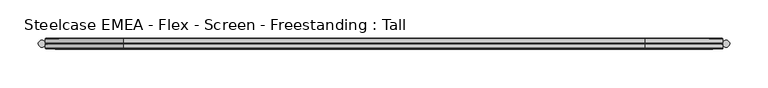
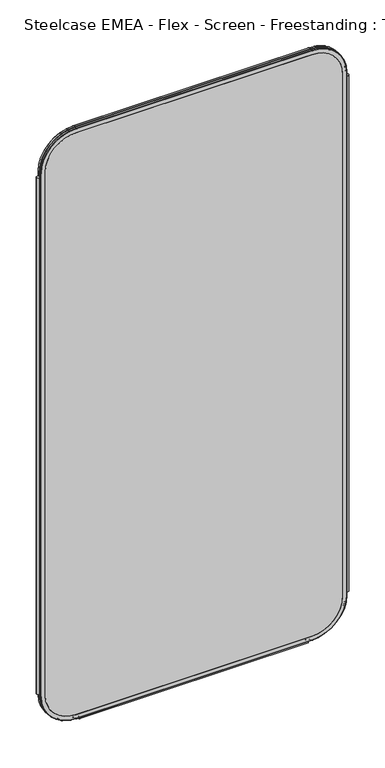
"""IFC4 building model written with IfcOpenShell, lengths in millimetres: furniture geometry, Steelcase EMEA - Flex - Screen - Freestanding : Tall."""

from ifc_helpers import new_model, si_unit, point, frame, frame_2d, origin, place, context, project, spatial, polyline, circle_curve, ellipse_curve, trimmed, segment, composite_curve, outline, extrude, source, transform, mapped, element, save
from ifc_brep_helpers import plane_surface, cylinder_surface, revolved_surface, advanced_brep


def steelcase_emea_flex_screen_freestanding_tall_d976a712(model_context):
    return source(origin(), model_context, "Body", "SolidModel", [
        extrude(outline(composite_curve([segment(trimmed(circle_curve(frame_2d((4.5307839, 0.0)), 4.572), [point((-0.0412161, 0.0))], [point((9.1027839, 0.0))], False, "CARTESIAN"), True, "CONTINUOUS"), segment(trimmed(circle_curve(frame_2d((4.5307839, 0.0)), 4.572), [point((9.1027839, 0.0))], [point((-0.0412161, 0.0))], False, "CARTESIAN"), True, "CONTINUOUS")], self_intersect=False)), frame((0.0, 0.0, 115.57), z_axis=(0.0, 0.0, 1.0), x_axis=(1.0, 0.0, 0.0)), (0.0, 0.0, 1.0), 1568.86),
        extrude(outline(composite_curve([segment(trimmed(circle_curve(frame_2d((895.4692161, 0.0)), 4.572), [point((890.8972161, 0.0))], [point((900.0412161, 0.0))], False, "CARTESIAN"), True, "CONTINUOUS"), segment(trimmed(circle_curve(frame_2d((895.4692161, 0.0)), 4.572), [point((900.0412161, 0.0))], [point((890.8972161, 0.0))], False, "CARTESIAN"), True, "CONTINUOUS")], self_intersect=False)), frame((0.0, 0.0, 115.57), z_axis=(0.0, 0.0, 1.0), x_axis=(1.0, 0.0, 0.0)), (0.0, 0.0, 1.0), 1568.86),
        extrude(outline(composite_curve([segment(trimmed(circle_curve(frame_2d((3.5, 2.4751953)), 2.5), [point((3.5, 4.9751953))], [point((1.4656663, 1.0220998))], False, "CARTESIAN"), True, "CONTINUOUS"), segment(trimmed(circle_curve(frame_2d((0.0, -0.0248047)), 1.8011626), [point((1.4656663, 1.0220998))], [point((-1.4656663, 1.0220998))], True, "CARTESIAN"), True, "CONTINUOUS"), segment(trimmed(circle_curve(frame_2d((-3.5, 2.4751953)), 2.5), [point((-1.4656663, 1.0220998))], [point((-3.5, 4.9751953))], False, "CARTESIAN"), True, "CONTINUOUS"), segment(trimmed(circle_curve(frame_2d((-3.5, 4.4751953)), 0.5), [point((-3.5, 4.9751953))], [point((-3.5, 3.9751953))], False, "CARTESIAN"), True, "CONTINUOUS"), segment(trimmed(circle_curve(frame_2d((-3.5, 2.4751953)), 1.5), [point((-3.5, 3.9751953))], [point((-2.3025096, 1.5718589))], True, "CARTESIAN"), True, "CONTINUOUS"), segment(trimmed(circle_curve(frame_2d((-10.3325937, 7.629417)), 10.0586411), [point((-2.3025096, 1.5718589))], [point((-0.714976, 4.6836248))], True, "CARTESIAN"), True, "CONTINUOUS"), segment(trimmed(circle_curve(frame_2d((0.0, 4.4646339)), 0.7477618), [point((-0.714976, 4.6836248))], [point((0.714976, 4.6836248))], False, "CARTESIAN"), True, "CONTINUOUS"), segment(trimmed(circle_curve(frame_2d((10.3325937, 7.629417)), 10.0586411), [point((0.714976, 4.6836248))], [point((2.3025096, 1.5718589))], True, "CARTESIAN"), True, "CONTINUOUS"), segment(trimmed(circle_curve(frame_2d((3.5, 2.4751953)), 1.5), [point((2.3025096, 1.5718589))], [point((3.5, 3.9751953))], True, "CARTESIAN"), True, "CONTINUOUS"), segment(trimmed(circle_curve(frame_2d((3.5, 4.4751953)), 0.5), [point((3.5, 3.9751953))], [point((3.5, 4.9751953))], False, "CARTESIAN"), True, "CONTINUOUS")], self_intersect=False)), frame((120.0, 0.0, 0.0), z_axis=(1.0, 0.0, 0.0), x_axis=(0.0, 1.0, 0.0)), (0.0, 0.0, 1.0), 660.0),
        advanced_brep(
        [(9.9273521, 0.0, 1698.4), (9.9273521, 0.0, 106.5996464), (110.7653521, 0.0, 5.7616464), (789.2594661, 0.0, 5.7616464), (890.0974661, 0.0, 106.5996464), (890.0974661, 0.0, 1698.4), (789.2594661, 0.0, 1799.238), (110.7653521, 0.0, 1799.238), (789.2594661, 0.0, 17.6996464), (110.7653521, 0.0, 17.6996464), (21.8653521, 0.0, 106.5996464), (21.8653521, 0.0, 1698.4), (110.7653521, 0.0, 1787.3), (789.2594661, 0.0, 1787.3), (878.1594661, 0.0, 1698.4), (878.1594661, 0.0, 106.5996464), (110.7653521, 0.762, 1800.0), (9.1653521, 0.762, 1698.4), (110.7653521, 6.096, 1800.0), (9.1653521, 6.096, 1698.4), (110.7653521, 6.858, 1799.238), (9.9273521, 6.858, 1698.4), (21.8653521, 6.858, 1698.4), (110.7653521, 6.858, 1787.3), (789.2594661, 0.762, 1800.0), (789.2594661, 6.096, 1800.0), (789.2594661, 6.858, 1799.238), (789.2594661, 6.858, 1787.3), (890.8594661, 0.762, 1698.4), (890.8594661, 6.096, 1698.4), (890.0974661, 6.858, 1698.4), (878.1594661, 6.858, 1698.4), (890.8594661, 0.762, 106.5996464), (890.8594661, 6.096, 106.5996464), (890.0974661, 6.858, 106.5996464), (878.1594661, 6.858, 106.5996464), (789.2594661, 0.762, 4.9996464), (789.2594661, 6.096, 4.9996464), (789.2594661, 6.858, 5.7616464), (789.2594661, 6.858, 17.6996464), (110.7653521, 0.762, 4.9996464), (110.7653521, 6.096, 4.9996464), (110.7653521, 6.858, 5.7616464), (110.7653521, 6.858, 17.6996464), (9.1653521, 0.762, 106.5996464), (9.1653521, 6.096, 106.5996464), (9.9273521, 6.858, 106.5996464), (21.8653521, 6.858, 106.5996464)],
        [
            (0, 1),
            (1, 2, circle_curve(frame((110.7653521, 0.0, 106.5996464), z_axis=(0.0, -1.0, 0.0), x_axis=(0.0, 0.0, -1.0)), 100.838)),
            (2, 3),
            (3, 4, circle_curve(frame((789.2594661, 0.0, 106.5996464), z_axis=(0.0, -1.0, 0.0), x_axis=(1.0, 0.0, 0.0)), 100.838)),
            (4, 5),
            (5, 6, circle_curve(frame((789.2594661, 0.0, 1698.4), z_axis=(0.0, -1.0, 0.0), x_axis=(0.0, 0.0, 1.0)), 100.838)),
            (6, 7),
            (7, 0, circle_curve(frame((110.7653521, 0.0, 1698.4), z_axis=(0.0, -1.0, 0.0), x_axis=(-1.0, 0.0, 0.0)), 100.838)),
            (8, 9),
            (9, 10, circle_curve(frame((110.7653521, 0.0, 106.5996464), z_axis=(0.0, 1.0, 0.0), x_axis=(0.0, 0.0, -1.0)), 88.9)),
            (10, 11),
            (11, 12, circle_curve(frame((110.7653521, 0.0, 1698.4), z_axis=(0.0, 1.0, 0.0), x_axis=(-1.0, 0.0, 0.0)), 88.9)),
            (12, 13),
            (13, 14, circle_curve(frame((789.2594661, 0.0, 1698.4), z_axis=(0.0, 1.0, 0.0), x_axis=(0.0, 0.0, 1.0)), 88.9)),
            (14, 15),
            (15, 8, circle_curve(frame((789.2594661, 0.0, 106.5996464), z_axis=(0.0, 1.0, 0.0), x_axis=(1.0, 0.0, 0.0)), 88.9)),
            (16, 17, circle_curve(frame((110.7653521, 0.762, 1698.4), z_axis=(0.0, -1.0, 0.0), x_axis=(-1.0, 0.0, 0.0)), 101.6)),
            (17, 0, circle_curve(frame((9.9273521, 0.762, 1698.4), z_axis=(0.0, 0.0, 1.0), x_axis=(-1.0, 0.0, 0.0)), 0.762)),
            (7, 16, circle_curve(frame((110.7653521, 0.762, 1799.238), z_axis=(-1.0, 0.0, 0.0), x_axis=(0.0, 0.0, 1.0)), 0.762)),
            (18, 19, circle_curve(frame((110.7653521, 6.096, 1698.4), z_axis=(0.0, -1.0, 0.0), x_axis=(-1.0, 0.0, 0.0)), 101.6)),
            (19, 17),
            (16, 18),
            (20, 21, circle_curve(frame((110.7653521, 6.858, 1698.4), z_axis=(0.0, -1.0, 0.0), x_axis=(-1.0, 0.0, 0.0)), 100.838)),
            (21, 19, circle_curve(frame((9.9273521, 6.096, 1698.4), z_axis=(0.0, 0.0, 1.0), x_axis=(-1.0, 0.0, 0.0)), 0.762)),
            (18, 20, circle_curve(frame((110.7653521, 6.096, 1799.238), z_axis=(-1.0, 0.0, 0.0), x_axis=(0.0, 0.0, 1.0)), 0.762)),
            (11, 22),
            (22, 23, circle_curve(frame((110.7653521, 6.858, 1698.4), z_axis=(0.0, 1.0, 0.0), x_axis=(-1.0, 0.0, 0.0)), 88.9)),
            (23, 12),
            (6, 24, circle_curve(frame((789.2594661, 0.762, 1799.238), z_axis=(-1.0, 0.0, 0.0), x_axis=(0.0, 0.0, 1.0)), 0.762)),
            (24, 16),
            (24, 25),
            (25, 18),
            (25, 26, circle_curve(frame((789.2594661, 6.096, 1799.238), z_axis=(-1.0, 0.0, 0.0), x_axis=(0.0, 0.0, 1.0)), 0.762)),
            (26, 20),
            (23, 27),
            (27, 13),
            (28, 24, circle_curve(frame((789.2594661, 0.762, 1698.4), z_axis=(0.0, -1.0, 0.0), x_axis=(0.0, 0.0, 1.0)), 101.6)),
            (5, 28, circle_curve(frame((890.0974661, 0.762, 1698.4), z_axis=(0.0, 0.0, 1.0), x_axis=(1.0, 0.0, 0.0)), 0.762)),
            (29, 25, circle_curve(frame((789.2594661, 6.096, 1698.4), z_axis=(0.0, -1.0, 0.0), x_axis=(0.0, 0.0, 1.0)), 101.6)),
            (28, 29),
            (30, 26, circle_curve(frame((789.2594661, 6.858, 1698.4), z_axis=(0.0, -1.0, 0.0), x_axis=(0.0, 0.0, 1.0)), 100.838)),
            (29, 30, circle_curve(frame((890.0974661, 6.096, 1698.4), z_axis=(0.0, 0.0, 1.0), x_axis=(1.0, 0.0, 0.0)), 0.762)),
            (27, 31, circle_curve(frame((789.2594661, 6.858, 1698.4), z_axis=(0.0, 1.0, 0.0), x_axis=(0.0, 0.0, 1.0)), 88.9)),
            (31, 14),
            (4, 32, circle_curve(frame((890.0974661, 0.762, 106.5996464), z_axis=(0.0, 0.0, 1.0), x_axis=(1.0, 0.0, 0.0)), 0.762)),
            (32, 28),
            (32, 33),
            (33, 29),
            (33, 34, circle_curve(frame((890.0974661, 6.096, 106.5996464), z_axis=(0.0, 0.0, 1.0), x_axis=(1.0, 0.0, 0.0)), 0.762)),
            (34, 30),
            (31, 35),
            (35, 15),
            (36, 32, circle_curve(frame((789.2594661, 0.762, 106.5996464), z_axis=(0.0, -1.0, 0.0), x_axis=(1.0, 0.0, 0.0)), 101.6)),
            (3, 36, circle_curve(frame((789.2594661, 0.762, 5.7616464), z_axis=(1.0, 0.0, 0.0), x_axis=(0.0, 0.0, -1.0)), 0.762)),
            (37, 33, circle_curve(frame((789.2594661, 6.096, 106.5996464), z_axis=(0.0, -1.0, 0.0), x_axis=(1.0, 0.0, 0.0)), 101.6)),
            (36, 37),
            (38, 34, circle_curve(frame((789.2594661, 6.858, 106.5996464), z_axis=(0.0, -1.0, 0.0), x_axis=(1.0, 0.0, 0.0)), 100.838)),
            (37, 38, circle_curve(frame((789.2594661, 6.096, 5.7616464), z_axis=(1.0, 0.0, 0.0), x_axis=(0.0, 0.0, -1.0)), 0.762)),
            (35, 39, circle_curve(frame((789.2594661, 6.858, 106.5996464), z_axis=(0.0, 1.0, 0.0), x_axis=(1.0, 0.0, 0.0)), 88.9)),
            (39, 8),
            (2, 40, circle_curve(frame((110.7653521, 0.762, 5.7616464), z_axis=(1.0, 0.0, 0.0), x_axis=(0.0, 0.0, -1.0)), 0.762)),
            (40, 36),
            (40, 41),
            (41, 37),
            (41, 42, circle_curve(frame((110.7653521, 6.096, 5.7616464), z_axis=(1.0, 0.0, 0.0), x_axis=(0.0, 0.0, -1.0)), 0.762)),
            (42, 38),
            (39, 43),
            (43, 9),
            (44, 40, circle_curve(frame((110.7653521, 0.762, 106.5996464), z_axis=(0.0, -1.0, 0.0), x_axis=(0.0, 0.0, -1.0)), 101.6)),
            (1, 44, circle_curve(frame((9.9273521, 0.762, 106.5996464), z_axis=(0.0, 0.0, -1.0), x_axis=(-1.0, 0.0, 0.0)), 0.762)),
            (45, 41, circle_curve(frame((110.7653521, 6.096, 106.5996464), z_axis=(0.0, -1.0, 0.0), x_axis=(0.0, 0.0, -1.0)), 101.6)),
            (44, 45),
            (46, 42, circle_curve(frame((110.7653521, 6.858, 106.5996464), z_axis=(0.0, -1.0, 0.0), x_axis=(0.0, 0.0, -1.0)), 100.838)),
            (45, 46, circle_curve(frame((9.9273521, 6.096, 106.5996464), z_axis=(0.0, 0.0, -1.0), x_axis=(-1.0, 0.0, 0.0)), 0.762)),
            (43, 47, circle_curve(frame((110.7653521, 6.858, 106.5996464), z_axis=(0.0, 1.0, 0.0), x_axis=(0.0, 0.0, -1.0)), 88.9)),
            (47, 10),
            (17, 44),
            (19, 45),
            (21, 46),
            (22, 47),
        ],
        [
            plane_surface(frame((21.8653521, 0.0, 106.5996464), z_axis=(0.0, -1.0, 0.0), x_axis=(0.0, 0.0, 1.0))),
            revolved_surface(trimmed(ellipse_curve(frame((9.9273521, 0.762, 1698.4), z_axis=(0.0, 0.0, -1.0), x_axis=(-1.0, 0.0, 0.0)), 0.762, 0.762), [point((9.9273521, 0.0, 1698.4))], [point((9.1653521, 0.762, 1698.4))], True, "CARTESIAN"), (110.7653521, 0.0, 1698.4), (0.0, 1.0, 0.0)),
            cylinder_surface(frame((110.7653521, 0.0, 1698.4), z_axis=(0.0, 1.0, 0.0), x_axis=(-1.0, 0.0, 0.0)), 101.6),
            revolved_surface(trimmed(ellipse_curve(frame((9.9273521, 6.096, 1698.4), z_axis=(0.0, 0.0, -1.0), x_axis=(-1.0, 0.0, 0.0)), 0.762, 0.762), [point((9.1653521, 6.096, 1698.4))], [point((9.9273521, 6.858, 1698.4))], True, "CARTESIAN"), (110.7653521, 0.0, 1698.4), (0.0, 1.0, 0.0)),
            revolved_surface(polyline([(21.865352099999996, 6.858, 1698.4), (21.865352099999996, 0.0, 1698.4)]), (110.7653521, 0.0, 1698.4), (0.0, 1.0, 0.0)),
            cylinder_surface(frame((110.7653521, 0.762, 1799.238), z_axis=(-1.0, 0.0, 0.0), x_axis=(0.0, 0.0, 1.0)), 0.762),
            plane_surface(frame((110.7653521, 0.762, 1800.0), z_axis=(0.0, 0.0, 1.0), x_axis=(1.0, 0.0, 0.0))),
            cylinder_surface(frame((110.7653521, 6.096, 1799.238), z_axis=(-1.0, 0.0, 0.0), x_axis=(0.0, 0.0, 1.0)), 0.762),
            plane_surface(frame((110.7653521, 6.858, 1787.3), z_axis=(0.0, 0.0, -1.0), x_axis=(1.0, 0.0, 0.0))),
            revolved_surface(trimmed(ellipse_curve(frame((789.2594661, 0.762, 1799.238), z_axis=(-1.0, 0.0, 0.0), x_axis=(0.0, 0.0, 1.0)), 0.762, 0.762), [point((789.2594661, 0.0, 1799.238))], [point((789.2594661, 0.762, 1800.0))], True, "CARTESIAN"), (789.2594661, 0.0, 1698.4), (0.0, 1.0, 0.0)),
            cylinder_surface(frame((789.2594661, 0.0, 1698.4), z_axis=(0.0, 1.0, 0.0), x_axis=(0.0, 0.0, 1.0)), 101.6),
            revolved_surface(trimmed(ellipse_curve(frame((789.2594661, 6.096, 1799.238), z_axis=(-1.0, 0.0, 0.0), x_axis=(0.0, 0.0, 1.0)), 0.762, 0.762), [point((789.2594661, 6.096, 1800.0))], [point((789.2594661, 6.858, 1799.238))], True, "CARTESIAN"), (789.2594661, 0.0, 1698.4), (0.0, 1.0, 0.0)),
            revolved_surface(polyline([(789.2594661, 6.858, 1787.3000000000002), (789.2594661, 0.0, 1787.3000000000002)]), (789.2594661, 0.0, 1698.4), (0.0, 1.0, 0.0)),
            cylinder_surface(frame((890.0974661, 0.762, 1698.4), z_axis=(0.0, 0.0, 1.0), x_axis=(1.0, 0.0, 0.0)), 0.762),
            plane_surface(frame((890.8594661, 0.762, 1698.4), z_axis=(1.0, 0.0, 0.0), x_axis=(0.0, 0.0, -1.0))),
            cylinder_surface(frame((890.0974661, 6.096, 1698.4), z_axis=(0.0, 0.0, 1.0), x_axis=(1.0, 0.0, 0.0)), 0.762),
            plane_surface(frame((878.1594661, 6.858, 1698.4), z_axis=(-1.0, 0.0, 0.0), x_axis=(0.0, 0.0, -1.0))),
            revolved_surface(trimmed(ellipse_curve(frame((890.0974661, 0.762, 106.5996464), z_axis=(0.0, 0.0, 1.0), x_axis=(1.0, 0.0, 0.0)), 0.762, 0.762), [point((890.0974661, 0.0, 106.5996464))], [point((890.8594661, 0.762, 106.5996464))], True, "CARTESIAN"), (789.2594661, 0.0, 106.5996464), (0.0, 1.0, 0.0)),
            cylinder_surface(frame((789.2594661, 0.0, 106.5996464), z_axis=(0.0, 1.0, 0.0), x_axis=(1.0, 0.0, 0.0)), 101.6),
            revolved_surface(trimmed(ellipse_curve(frame((890.0974661, 6.096, 106.5996464), z_axis=(0.0, 0.0, 1.0), x_axis=(1.0, 0.0, 0.0)), 0.762, 0.762), [point((890.8594661, 6.096, 106.5996464))], [point((890.0974661, 6.858, 106.5996464))], True, "CARTESIAN"), (789.2594661, 0.0, 106.5996464), (0.0, 1.0, 0.0)),
            revolved_surface(polyline([(878.1594661, 6.858, 106.5996464), (878.1594661, 0.0, 106.5996464)]), (789.2594661, 0.0, 106.5996464), (0.0, 1.0, 0.0)),
            cylinder_surface(frame((789.2594661, 0.762, 5.7616464), z_axis=(1.0, 0.0, 0.0), x_axis=(0.0, 0.0, -1.0)), 0.762),
            plane_surface(frame((789.2594661, 0.762, 4.9996464), z_axis=(0.0, 0.0, -1.0), x_axis=(-1.0, 0.0, 0.0))),
            cylinder_surface(frame((789.2594661, 6.096, 5.7616464), z_axis=(1.0, 0.0, 0.0), x_axis=(0.0, 0.0, -1.0)), 0.762),
            plane_surface(frame((789.2594661, 6.858, 17.6996464), z_axis=(0.0, 0.0, 1.0), x_axis=(-1.0, 0.0, 0.0))),
            revolved_surface(trimmed(ellipse_curve(frame((110.7653521, 0.762, 5.7616464), z_axis=(1.0, 0.0, 0.0), x_axis=(0.0, 0.0, -1.0)), 0.762, 0.762), [point((110.7653521, 0.0, 5.7616464))], [point((110.7653521, 0.762, 4.9996464))], True, "CARTESIAN"), (110.7653521, 0.0, 106.5996464), (0.0, 1.0, 0.0)),
            cylinder_surface(frame((110.7653521, 0.0, 106.5996464), z_axis=(0.0, 1.0, 0.0), x_axis=(0.0, 0.0, -1.0)), 101.6),
            revolved_surface(trimmed(ellipse_curve(frame((110.7653521, 6.096, 5.7616464), z_axis=(1.0, 0.0, 0.0), x_axis=(0.0, 0.0, -1.0)), 0.762, 0.762), [point((110.7653521, 6.096, 4.9996464))], [point((110.7653521, 6.858, 5.7616464))], True, "CARTESIAN"), (110.7653521, 0.0, 106.5996464), (0.0, 1.0, 0.0)),
            revolved_surface(polyline([(110.7653521, 6.858, 17.699646399999992), (110.7653521, 0.0, 17.699646399999992)]), (110.7653521, 0.0, 106.5996464), (0.0, 1.0, 0.0)),
            cylinder_surface(frame((9.9273521, 0.762, 106.5996464), z_axis=(0.0, 0.0, -1.0), x_axis=(-1.0, 0.0, 0.0)), 0.762),
            plane_surface(frame((9.1653521, 0.762, 106.5996464), z_axis=(-1.0, 0.0, 0.0), x_axis=(0.0, 0.0, 1.0))),
            cylinder_surface(frame((9.9273521, 6.096, 106.5996464), z_axis=(0.0, 0.0, -1.0), x_axis=(-1.0, 0.0, 0.0)), 0.762),
            plane_surface(frame((9.9273521, 6.858, 106.5996464), z_axis=(0.0, 1.0, 0.0), x_axis=(0.0, 0.0, 1.0))),
            plane_surface(frame((21.8653521, 6.858, 106.5996464), z_axis=(1.0, 0.0, 0.0), x_axis=(0.0, 0.0, 1.0))),
        ],
        [
            (0, [[1, 2, 3, 4, 5, 6, 7, 8], [9, 10, 11, 12, 13, 14, 15, 16]]),
            (1, [[17, 18, -8, 19]]),
            (2, [[20, 21, -17, 22]]),
            (3, [[23, 24, -20, 25]]),
            (4, [[-12, 26, 27, 28]]),
            (5, [[-19, -7, 29, 30]]),
            (6, [[-22, -30, 31, 32]]),
            (7, [[-25, -32, 33, 34]]),
            (8, [[-28, 35, 36, -13]]),
            (9, [[37, -29, -6, 38]]),
            (10, [[39, -31, -37, 40]]),
            (11, [[41, -33, -39, 42]]),
            (12, [[-14, -36, 43, 44]]),
            (13, [[-38, -5, 45, 46]]),
            (14, [[-40, -46, 47, 48]]),
            (15, [[-42, -48, 49, 50]]),
            (16, [[-44, 51, 52, -15]]),
            (17, [[53, -45, -4, 54]]),
            (18, [[55, -47, -53, 56]]),
            (19, [[57, -49, -55, 58]]),
            (20, [[-16, -52, 59, 60]]),
            (21, [[-54, -3, 61, 62]]),
            (22, [[-56, -62, 63, 64]]),
            (23, [[-58, -64, 65, 66]]),
            (24, [[-60, 67, 68, -9]]),
            (25, [[69, -61, -2, 70]]),
            (26, [[71, -63, -69, 72]]),
            (27, [[73, -65, -71, 74]]),
            (28, [[-10, -68, 75, 76]]),
            (29, [[-70, -1, -18, 77]]),
            (30, [[-72, -77, -21, 78]]),
            (31, [[-74, -78, -24, 79]]),
            (32, [[-66, -73, -79, -23, -34, -41, -50, -57], [80, -75, -67, -59, -51, -43, -35, -27]]),
            (33, [[-76, -80, -26, -11]]),
        ],
    ),
        extrude(outline(composite_curve([segment(polyline([(1787.3, 789.2594661), (1787.3, 110.7653521)]), True, "CONTINUOUS"), segment(trimmed(circle_curve(frame_2d((1698.4, 110.7653521)), 88.9), [point((1787.3, 110.7653521))], [point((1698.4, 21.8653521))], False, "CARTESIAN"), True, "CONTINUOUS"), segment(polyline([(1698.4, 21.8653521), (106.5996464, 21.8653521)]), True, "CONTINUOUS"), segment(trimmed(circle_curve(frame_2d((106.5996464, 110.7653521)), 88.9), [point((106.5996464, 21.8653521))], [point((17.6996464, 110.7653521))], False, "CARTESIAN"), True, "CONTINUOUS"), segment(polyline([(17.6996464, 110.7653521), (17.6996464, 789.2594661)]), True, "CONTINUOUS"), segment(trimmed(circle_curve(frame_2d((106.5996464, 789.2594661)), 88.9), [point((17.6996464, 789.2594661))], [point((106.5996464, 878.1594661))], False, "CARTESIAN"), True, "CONTINUOUS"), segment(polyline([(106.5996464, 878.1594661), (1698.4, 878.1594661)]), True, "CONTINUOUS"), segment(trimmed(circle_curve(frame_2d((1698.4, 789.2594661)), 88.9), [point((1698.4, 878.1594661))], [point((1787.3, 789.2594661))], False, "CARTESIAN"), True, "CONTINUOUS")], self_intersect=False)), frame((0.0, 0.0, 0.0), z_axis=(0.0, 1.0, 0.0), x_axis=(0.0, 0.0, 1.0)), (0.0, 0.0, 1.0), 6.858),
        advanced_brep(
        [(110.7653521, -6.858, 1787.3), (21.8653521, -6.858, 1698.4), (21.8653521, 0.0, 1698.4), (110.7653521, 0.0, 1787.3), (110.7653521, -6.096, 1800.0), (9.1653521, -6.096, 1698.4), (9.9273521, -6.858, 1698.4), (110.7653521, -6.858, 1799.238), (110.7653521, -0.762, 1800.0), (9.1653521, -0.762, 1698.4), (110.7653521, 0.0, 1799.238), (9.9273521, 0.0, 1698.4), (789.2594661, 0.0, 1787.3), (789.2594661, -6.858, 1787.3), (789.2594661, -6.858, 1799.238), (789.2594661, -6.096, 1800.0), (789.2594661, -0.762, 1800.0), (789.2594661, 0.0, 1799.238), (878.1594661, -6.858, 1698.4), (878.1594661, 0.0, 1698.4), (890.8594661, -6.096, 1698.4), (890.0974661, -6.858, 1698.4), (890.8594661, -0.762, 1698.4), (890.0974661, 0.0, 1698.4), (878.1594661, 0.0, 106.5996464), (878.1594661, -6.858, 106.5996464), (890.0974661, -6.858, 106.5996464), (890.8594661, -6.096, 106.5996464), (890.8594661, -0.762, 106.5996464), (890.0974661, 0.0, 106.5996464), (789.2594661, -6.858, 17.6996464), (789.2594661, 0.0, 17.6996464), (789.2594661, -6.096, 4.9996464), (789.2594661, -6.858, 5.7616464), (789.2594661, -0.762, 4.9996464), (789.2594661, 0.0, 5.7616464), (110.7653521, 0.0, 17.6996464), (110.7653521, -6.858, 17.6996464), (110.7653521, -6.858, 5.7616464), (110.7653521, -6.096, 4.9996464), (110.7653521, -0.762, 4.9996464), (110.7653521, 0.0, 5.7616464), (21.8653521, -6.858, 106.5996464), (21.8653521, 0.0, 106.5996464), (9.1653521, -6.096, 106.5996464), (9.9273521, -6.858, 106.5996464), (9.1653521, -0.762, 106.5996464), (9.9273521, 0.0, 106.5996464)],
        [
            (0, 1, circle_curve(frame((110.7653521, -6.858, 1698.4), z_axis=(0.0, -1.0, 0.0), x_axis=(-1.0, 0.0, 0.0)), 88.9)),
            (1, 2),
            (2, 3, circle_curve(frame((110.7653521, 0.0, 1698.4), z_axis=(0.0, 1.0, 0.0), x_axis=(-1.0, 0.0, 0.0)), 88.9)),
            (3, 0),
            (4, 5, circle_curve(frame((110.7653521, -6.096, 1698.4), z_axis=(0.0, -1.0, 0.0), x_axis=(-1.0, 0.0, 0.0)), 101.6)),
            (5, 6, circle_curve(frame((9.9273521, -6.096, 1698.4), z_axis=(0.0, 0.0, 1.0), x_axis=(-1.0, 0.0, 0.0)), 0.762)),
            (6, 7, circle_curve(frame((110.7653521, -6.858, 1698.4), z_axis=(0.0, 1.0, 0.0), x_axis=(-1.0, 0.0, 0.0)), 100.838)),
            (7, 4, circle_curve(frame((110.7653521, -6.096, 1799.238), z_axis=(-1.0, 0.0, 0.0), x_axis=(0.0, 0.0, 1.0)), 0.762)),
            (8, 9, circle_curve(frame((110.7653521, -0.762, 1698.4), z_axis=(0.0, -1.0, 0.0), x_axis=(-1.0, 0.0, 0.0)), 101.6)),
            (9, 5),
            (4, 8),
            (10, 11, circle_curve(frame((110.7653521, 0.0, 1698.4), z_axis=(0.0, -1.0, 0.0), x_axis=(-1.0, 0.0, 0.0)), 100.838)),
            (11, 9, circle_curve(frame((9.9273521, -0.762, 1698.4), z_axis=(0.0, 0.0, 1.0), x_axis=(-1.0, 0.0, 0.0)), 0.762)),
            (8, 10, circle_curve(frame((110.7653521, -0.762, 1799.238), z_axis=(-1.0, 0.0, 0.0), x_axis=(0.0, 0.0, 1.0)), 0.762)),
            (3, 12),
            (12, 13),
            (13, 0),
            (7, 14),
            (14, 15, circle_curve(frame((789.2594661, -6.096, 1799.238), z_axis=(-1.0, 0.0, 0.0), x_axis=(0.0, 0.0, 1.0)), 0.762)),
            (15, 4),
            (15, 16),
            (16, 8),
            (16, 17, circle_curve(frame((789.2594661, -0.762, 1799.238), z_axis=(-1.0, 0.0, 0.0), x_axis=(0.0, 0.0, 1.0)), 0.762)),
            (17, 10),
            (18, 13, circle_curve(frame((789.2594661, -6.858, 1698.4), z_axis=(0.0, -1.0, 0.0), x_axis=(0.0, 0.0, 1.0)), 88.9)),
            (12, 19, circle_curve(frame((789.2594661, 0.0, 1698.4), z_axis=(0.0, 1.0, 0.0), x_axis=(0.0, 0.0, 1.0)), 88.9)),
            (19, 18),
            (20, 15, circle_curve(frame((789.2594661, -6.096, 1698.4), z_axis=(0.0, -1.0, 0.0), x_axis=(0.0, 0.0, 1.0)), 101.6)),
            (14, 21, circle_curve(frame((789.2594661, -6.858, 1698.4), z_axis=(0.0, 1.0, 0.0), x_axis=(0.0, 0.0, 1.0)), 100.838)),
            (21, 20, circle_curve(frame((890.0974661, -6.096, 1698.4), z_axis=(0.0, 0.0, 1.0), x_axis=(1.0, 0.0, 0.0)), 0.762)),
            (22, 16, circle_curve(frame((789.2594661, -0.762, 1698.4), z_axis=(0.0, -1.0, 0.0), x_axis=(0.0, 0.0, 1.0)), 101.6)),
            (20, 22),
            (23, 17, circle_curve(frame((789.2594661, 0.0, 1698.4), z_axis=(0.0, -1.0, 0.0), x_axis=(0.0, 0.0, 1.0)), 100.838)),
            (22, 23, circle_curve(frame((890.0974661, -0.762, 1698.4), z_axis=(0.0, 0.0, 1.0), x_axis=(1.0, 0.0, 0.0)), 0.762)),
            (19, 24),
            (24, 25),
            (25, 18),
            (21, 26),
            (26, 27, circle_curve(frame((890.0974661, -6.096, 106.5996464), z_axis=(0.0, 0.0, 1.0), x_axis=(1.0, 0.0, 0.0)), 0.762)),
            (27, 20),
            (27, 28),
            (28, 22),
            (28, 29, circle_curve(frame((890.0974661, -0.762, 106.5996464), z_axis=(0.0, 0.0, 1.0), x_axis=(1.0, 0.0, 0.0)), 0.762)),
            (29, 23),
            (30, 25, circle_curve(frame((789.2594661, -6.858, 106.5996464), z_axis=(0.0, -1.0, 0.0), x_axis=(1.0, 0.0, 0.0)), 88.9)),
            (24, 31, circle_curve(frame((789.2594661, 0.0, 106.5996464), z_axis=(0.0, 1.0, 0.0), x_axis=(1.0, 0.0, 0.0)), 88.9)),
            (31, 30),
            (32, 27, circle_curve(frame((789.2594661, -6.096, 106.5996464), z_axis=(0.0, -1.0, 0.0), x_axis=(1.0, 0.0, 0.0)), 101.6)),
            (26, 33, circle_curve(frame((789.2594661, -6.858, 106.5996464), z_axis=(0.0, 1.0, 0.0), x_axis=(1.0, 0.0, 0.0)), 100.838)),
            (33, 32, circle_curve(frame((789.2594661, -6.096, 5.7616464), z_axis=(1.0, 0.0, 0.0), x_axis=(0.0, 0.0, -1.0)), 0.762)),
            (34, 28, circle_curve(frame((789.2594661, -0.762, 106.5996464), z_axis=(0.0, -1.0, 0.0), x_axis=(1.0, 0.0, 0.0)), 101.6)),
            (32, 34),
            (35, 29, circle_curve(frame((789.2594661, 0.0, 106.5996464), z_axis=(0.0, -1.0, 0.0), x_axis=(1.0, 0.0, 0.0)), 100.838)),
            (34, 35, circle_curve(frame((789.2594661, -0.762, 5.7616464), z_axis=(1.0, 0.0, 0.0), x_axis=(0.0, 0.0, -1.0)), 0.762)),
            (31, 36),
            (36, 37),
            (37, 30),
            (33, 38),
            (38, 39, circle_curve(frame((110.7653521, -6.096, 5.7616464), z_axis=(1.0, 0.0, 0.0), x_axis=(0.0, 0.0, -1.0)), 0.762)),
            (39, 32),
            (39, 40),
            (40, 34),
            (40, 41, circle_curve(frame((110.7653521, -0.762, 5.7616464), z_axis=(1.0, 0.0, 0.0), x_axis=(0.0, 0.0, -1.0)), 0.762)),
            (41, 35),
            (42, 37, circle_curve(frame((110.7653521, -6.858, 106.5996464), z_axis=(0.0, -1.0, 0.0), x_axis=(0.0, 0.0, -1.0)), 88.9)),
            (36, 43, circle_curve(frame((110.7653521, 0.0, 106.5996464), z_axis=(0.0, 1.0, 0.0), x_axis=(0.0, 0.0, -1.0)), 88.9)),
            (43, 42),
            (44, 39, circle_curve(frame((110.7653521, -6.096, 106.5996464), z_axis=(0.0, -1.0, 0.0), x_axis=(0.0, 0.0, -1.0)), 101.6)),
            (38, 45, circle_curve(frame((110.7653521, -6.858, 106.5996464), z_axis=(0.0, 1.0, 0.0), x_axis=(0.0, 0.0, -1.0)), 100.838)),
            (45, 44, circle_curve(frame((9.9273521, -6.096, 106.5996464), z_axis=(0.0, 0.0, -1.0), x_axis=(-1.0, 0.0, 0.0)), 0.762)),
            (46, 40, circle_curve(frame((110.7653521, -0.762, 106.5996464), z_axis=(0.0, -1.0, 0.0), x_axis=(0.0, 0.0, -1.0)), 101.6)),
            (44, 46),
            (47, 41, circle_curve(frame((110.7653521, 0.0, 106.5996464), z_axis=(0.0, -1.0, 0.0), x_axis=(0.0, 0.0, -1.0)), 100.838)),
            (46, 47, circle_curve(frame((9.9273521, -0.762, 106.5996464), z_axis=(0.0, 0.0, -1.0), x_axis=(-1.0, 0.0, 0.0)), 0.762)),
            (43, 2),
            (1, 42),
            (6, 45),
            (5, 44),
            (9, 46),
            (11, 47),
        ],
        [
            revolved_surface(polyline([(21.865352099999996, 0.0, 1698.4), (21.865352099999996, -6.858, 1698.4)]), (110.7653521, 0.0, 1698.4), (0.0, 1.0, 0.0)),
            revolved_surface(trimmed(ellipse_curve(frame((9.9273521, -6.096, 1698.4), z_axis=(0.0, 0.0, -1.0), x_axis=(-1.0, 0.0, 0.0)), 0.762, 0.762), [point((9.9273521, -6.858, 1698.4))], [point((9.1653521, -6.096, 1698.4))], True, "CARTESIAN"), (110.7653521, 0.0, 1698.4), (0.0, 1.0, 0.0)),
            cylinder_surface(frame((110.7653521, 0.0, 1698.4), z_axis=(0.0, 1.0, 0.0), x_axis=(-1.0, 0.0, 0.0)), 101.6),
            revolved_surface(trimmed(ellipse_curve(frame((9.9273521, -0.762, 1698.4), z_axis=(0.0, 0.0, -1.0), x_axis=(-1.0, 0.0, 0.0)), 0.762, 0.762), [point((9.1653521, -0.762, 1698.4))], [point((9.9273521, 0.0, 1698.4))], True, "CARTESIAN"), (110.7653521, 0.0, 1698.4), (0.0, 1.0, 0.0)),
            plane_surface(frame((110.7653521, 0.0, 1787.3), z_axis=(0.0, 0.0, -1.0), x_axis=(1.0, 0.0, 0.0))),
            cylinder_surface(frame((110.7653521, -6.096, 1799.238), z_axis=(-1.0, 0.0, 0.0), x_axis=(0.0, 0.0, 1.0)), 0.762),
            plane_surface(frame((110.7653521, -6.096, 1800.0), z_axis=(0.0, 0.0, 1.0), x_axis=(1.0, 0.0, 0.0))),
            cylinder_surface(frame((110.7653521, -0.762, 1799.238), z_axis=(-1.0, 0.0, 0.0), x_axis=(0.0, 0.0, 1.0)), 0.762),
            revolved_surface(polyline([(789.2594661, 0.0, 1787.3000000000002), (789.2594661, -6.858, 1787.3000000000002)]), (789.2594661, 0.0, 1698.4), (0.0, 1.0, 0.0)),
            revolved_surface(trimmed(ellipse_curve(frame((789.2594661, -6.096, 1799.238), z_axis=(-1.0, 0.0, 0.0), x_axis=(0.0, 0.0, 1.0)), 0.762, 0.762), [point((789.2594661, -6.858, 1799.238))], [point((789.2594661, -6.096, 1800.0))], True, "CARTESIAN"), (789.2594661, 0.0, 1698.4), (0.0, 1.0, 0.0)),
            cylinder_surface(frame((789.2594661, 0.0, 1698.4), z_axis=(0.0, 1.0, 0.0), x_axis=(0.0, 0.0, 1.0)), 101.6),
            revolved_surface(trimmed(ellipse_curve(frame((789.2594661, -0.762, 1799.238), z_axis=(-1.0, 0.0, 0.0), x_axis=(0.0, 0.0, 1.0)), 0.762, 0.762), [point((789.2594661, -0.762, 1800.0))], [point((789.2594661, 0.0, 1799.238))], True, "CARTESIAN"), (789.2594661, 0.0, 1698.4), (0.0, 1.0, 0.0)),
            plane_surface(frame((878.1594661, 0.0, 1698.4), z_axis=(-1.0, 0.0, 0.0), x_axis=(0.0, 0.0, -1.0))),
            cylinder_surface(frame((890.0974661, -6.096, 1698.4), z_axis=(0.0, 0.0, 1.0), x_axis=(1.0, 0.0, 0.0)), 0.762),
            plane_surface(frame((890.8594661, -6.096, 1698.4), z_axis=(1.0, 0.0, 0.0), x_axis=(0.0, 0.0, -1.0))),
            cylinder_surface(frame((890.0974661, -0.762, 1698.4), z_axis=(0.0, 0.0, 1.0), x_axis=(1.0, 0.0, 0.0)), 0.762),
            revolved_surface(polyline([(878.1594661, 0.0, 106.5996464), (878.1594661, -6.858, 106.5996464)]), (789.2594661, 0.0, 106.5996464), (0.0, 1.0, 0.0)),
            revolved_surface(trimmed(ellipse_curve(frame((890.0974661, -6.096, 106.5996464), z_axis=(0.0, 0.0, 1.0), x_axis=(1.0, 0.0, 0.0)), 0.762, 0.762), [point((890.0974661, -6.858, 106.5996464))], [point((890.8594661, -6.096, 106.5996464))], True, "CARTESIAN"), (789.2594661, 0.0, 106.5996464), (0.0, 1.0, 0.0)),
            cylinder_surface(frame((789.2594661, 0.0, 106.5996464), z_axis=(0.0, 1.0, 0.0), x_axis=(1.0, 0.0, 0.0)), 101.6),
            revolved_surface(trimmed(ellipse_curve(frame((890.0974661, -0.762, 106.5996464), z_axis=(0.0, 0.0, 1.0), x_axis=(1.0, 0.0, 0.0)), 0.762, 0.762), [point((890.8594661, -0.762, 106.5996464))], [point((890.0974661, 0.0, 106.5996464))], True, "CARTESIAN"), (789.2594661, 0.0, 106.5996464), (0.0, 1.0, 0.0)),
            plane_surface(frame((789.2594661, 0.0, 17.6996464), z_axis=(0.0, 0.0, 1.0), x_axis=(-1.0, 0.0, 0.0))),
            cylinder_surface(frame((789.2594661, -6.096, 5.7616464), z_axis=(1.0, 0.0, 0.0), x_axis=(0.0, 0.0, -1.0)), 0.762),
            plane_surface(frame((789.2594661, -6.096, 4.9996464), z_axis=(0.0, 0.0, -1.0), x_axis=(-1.0, 0.0, 0.0))),
            cylinder_surface(frame((789.2594661, -0.762, 5.7616464), z_axis=(1.0, 0.0, 0.0), x_axis=(0.0, 0.0, -1.0)), 0.762),
            revolved_surface(polyline([(110.7653521, 0.0, 17.699646399999992), (110.7653521, -6.858, 17.699646399999992)]), (110.7653521, 0.0, 106.5996464), (0.0, 1.0, 0.0)),
            revolved_surface(trimmed(ellipse_curve(frame((110.7653521, -6.096, 5.7616464), z_axis=(1.0, 0.0, 0.0), x_axis=(0.0, 0.0, -1.0)), 0.762, 0.762), [point((110.7653521, -6.858, 5.7616464))], [point((110.7653521, -6.096, 4.9996464))], True, "CARTESIAN"), (110.7653521, 0.0, 106.5996464), (0.0, 1.0, 0.0)),
            cylinder_surface(frame((110.7653521, 0.0, 106.5996464), z_axis=(0.0, 1.0, 0.0), x_axis=(0.0, 0.0, -1.0)), 101.6),
            revolved_surface(trimmed(ellipse_curve(frame((110.7653521, -0.762, 5.7616464), z_axis=(1.0, 0.0, 0.0), x_axis=(0.0, 0.0, -1.0)), 0.762, 0.762), [point((110.7653521, -0.762, 4.9996464))], [point((110.7653521, 0.0, 5.7616464))], True, "CARTESIAN"), (110.7653521, 0.0, 106.5996464), (0.0, 1.0, 0.0)),
            plane_surface(frame((21.8653521, 0.0, 106.5996464), z_axis=(1.0, 0.0, 0.0), x_axis=(0.0, 0.0, 1.0))),
            plane_surface(frame((21.8653521, -6.858, 106.5996464), z_axis=(0.0, -1.0, 0.0), x_axis=(0.0, 0.0, 1.0))),
            cylinder_surface(frame((9.9273521, -6.096, 106.5996464), z_axis=(0.0, 0.0, -1.0), x_axis=(-1.0, 0.0, 0.0)), 0.762),
            plane_surface(frame((9.1653521, -6.096, 106.5996464), z_axis=(-1.0, 0.0, 0.0), x_axis=(0.0, 0.0, 1.0))),
            cylinder_surface(frame((9.9273521, -0.762, 106.5996464), z_axis=(0.0, 0.0, -1.0), x_axis=(-1.0, 0.0, 0.0)), 0.762),
            plane_surface(frame((9.9273521, 0.0, 106.5996464), z_axis=(0.0, 1.0, 0.0), x_axis=(0.0, 0.0, 1.0))),
        ],
        [
            (0, [[1, 2, 3, 4]]),
            (1, [[5, 6, 7, 8]]),
            (2, [[9, 10, -5, 11]]),
            (3, [[12, 13, -9, 14]]),
            (4, [[-4, 15, 16, 17]]),
            (5, [[-8, 18, 19, 20]]),
            (6, [[-11, -20, 21, 22]]),
            (7, [[-14, -22, 23, 24]]),
            (8, [[25, -16, 26, 27]]),
            (9, [[28, -19, 29, 30]]),
            (10, [[31, -21, -28, 32]]),
            (11, [[33, -23, -31, 34]]),
            (12, [[-27, 35, 36, 37]]),
            (13, [[-30, 38, 39, 40]]),
            (14, [[-32, -40, 41, 42]]),
            (15, [[-34, -42, 43, 44]]),
            (16, [[45, -36, 46, 47]]),
            (17, [[48, -39, 49, 50]]),
            (18, [[51, -41, -48, 52]]),
            (19, [[53, -43, -51, 54]]),
            (20, [[-47, 55, 56, 57]]),
            (21, [[-50, 58, 59, 60]]),
            (22, [[-52, -60, 61, 62]]),
            (23, [[-54, -62, 63, 64]]),
            (24, [[65, -56, 66, 67]]),
            (25, [[68, -59, 69, 70]]),
            (26, [[71, -61, -68, 72]]),
            (27, [[73, -63, -71, 74]]),
            (28, [[-67, 75, -2, 76]]),
            (29, [[77, -69, -58, -49, -38, -29, -18, -7], [-57, -65, -76, -1, -17, -25, -37, -45]]),
            (30, [[-70, -77, -6, 78]]),
            (31, [[-72, -78, -10, 79]]),
            (32, [[-74, -79, -13, 80]]),
            (33, [[-64, -73, -80, -12, -24, -33, -44, -53], [-75, -66, -55, -46, -35, -26, -15, -3]]),
        ],
    ),
        extrude(outline(composite_curve([segment(polyline([(1787.3, 789.2594661), (1787.3, 110.7653521)]), True, "CONTINUOUS"), segment(trimmed(circle_curve(frame_2d((1698.4, 110.7653521)), 88.9), [point((1787.3, 110.7653521))], [point((1698.4, 21.8653521))], False, "CARTESIAN"), True, "CONTINUOUS"), segment(polyline([(1698.4, 21.8653521), (106.5996464, 21.8653521)]), True, "CONTINUOUS"), segment(trimmed(circle_curve(frame_2d((106.5996464, 110.7653521)), 88.9), [point((106.5996464, 21.8653521))], [point((17.6996464, 110.7653521))], False, "CARTESIAN"), True, "CONTINUOUS"), segment(polyline([(17.6996464, 110.7653521), (17.6996464, 789.2594661)]), True, "CONTINUOUS"), segment(trimmed(circle_curve(frame_2d((106.5996464, 789.2594661)), 88.9), [point((17.6996464, 789.2594661))], [point((106.5996464, 878.1594661))], False, "CARTESIAN"), True, "CONTINUOUS"), segment(polyline([(106.5996464, 878.1594661), (1698.4, 878.1594661)]), True, "CONTINUOUS"), segment(trimmed(circle_curve(frame_2d((1698.4, 789.2594661)), 88.9), [point((1698.4, 878.1594661))], [point((1787.3, 789.2594661))], False, "CARTESIAN"), True, "CONTINUOUS")], self_intersect=False)), frame((0.0, -6.858, 0.0), z_axis=(0.0, 1.0, 0.0), x_axis=(0.0, 0.0, 1.0)), (0.0, 0.0, 1.0), 6.858),
    ])


if __name__ == "__main__":
    model = new_model("IFC4")
    model_context = context("Model", 3, world=origin())
    ifc_project = project(units=[si_unit("LENGTHUNIT", "METRE", prefix="MILLI")], contexts=[model_context])
    site = spatial("IfcSite", under=ifc_project)
    building = spatial("IfcBuilding", under=site)
    placement = place(None, origin())
    steelcase_emea_flex_screen_freestanding_tall_shape = steelcase_emea_flex_screen_freestanding_tall_d976a712(model_context)
    element("IfcFurniture", 1, ObjectType="Steelcase EMEA - Flex - Screen - Freestanding : Tall", at=placement, inside=building, context=model_context, shape_type="MappedRepresentation", body=[
        mapped(steelcase_emea_flex_screen_freestanding_tall_shape, transform((0.0, 0.0, 0.0), x_axis=(1.0, 0.0, 0.0), y_axis=(0.0, 1.0, 0.0), z_axis=(0.0, 0.0, 1.0))),
    ])
    save(model, "model.ifc")
